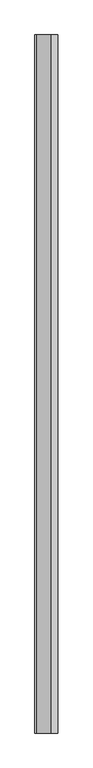
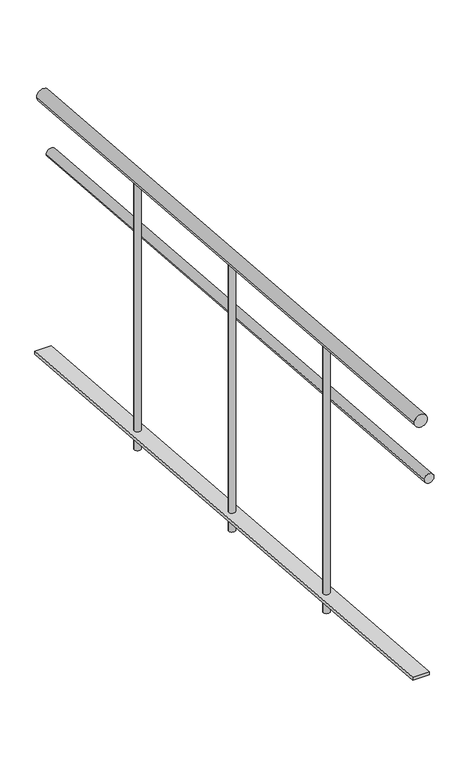
"""IFC4 building model written with IfcOpenShell, lengths in millimetres: railing geometry."""

from ifc_helpers import new_model, si_unit, frame, origin, place, context, project, spatial, ellipse_curve, faceted_brep, source, transform, mapped, element, save
from ifc_brep_helpers import plane_surface, cylinder_surface, advanced_brep


def railing_b9f6c49b(model_context):
    return source(origin(), model_context, "Body", "SolidModel", [
        advanced_brep(
        [(-8160.9736267, 5682.3048278, 879.9361021), (-8120.9736267, 5682.3048278, 879.9361021), (-8160.9736267, 3682.3048278, 1039.9361021), (-8120.9736267, 3682.3048278, 1039.9361021)],
        [
            (0, 1, ellipse_curve(frame((-8140.9736267, 5682.3048278, 879.9361021), z_axis=(0.0, 1.0, 0.0), x_axis=(0.0, 0.0, -1.0)), 20.0638979, 20.0)),
            (1, 0, ellipse_curve(frame((-8140.9736267, 5682.3048278, 879.9361021), z_axis=(0.0, 1.0, 0.0), x_axis=(0.0, 0.0, -1.0)), 20.0638979, 20.0)),
            (2, 3, ellipse_curve(frame((-8140.9736267, 3682.3048278, 1039.9361021), z_axis=(0.0, -1.0, 0.0), x_axis=(0.0, 0.0, -1.0)), 20.0638979, 20.0)),
            (3, 2, ellipse_curve(frame((-8140.9736267, 3682.3048278, 1039.9361021), z_axis=(0.0, -1.0, 0.0), x_axis=(0.0, 0.0, -1.0)), 20.0638979, 20.0)),
            (0, 2),
            (3, 1),
        ],
        [
            plane_surface(frame((-8140.9736267, 5682.3048278, 900.0), z_axis=(0.0, 1.0, 0.0), x_axis=(0.0, 0.0, -1.0))),
            plane_surface(frame((-8140.9736267, 3682.3048278, 1060.0), z_axis=(0.0, -1.0, 0.0), x_axis=(0.0, 0.0, -1.0))),
            cylinder_surface(frame((-8140.9736267, 5680.7099233, 880.0636944), z_axis=(0.0, 0.9968152785361251, -0.07974522228289002), x_axis=(1.0, 0.0, 0.0)), 20.0),
        ],
        [
            (0, [[1, 2]]),
            (1, [[3, 4]]),
            (2, [[-1, 5, -4, 6]]),
            (2, [[-2, -6, -3, -5]]),
        ],
    ),
        advanced_brep(
        [(-8130.9736267, 5682.3048278, 684.9520766), (-8100.9736267, 5682.3048278, 684.9520766), (-8130.9736267, 3682.3048278, 844.9520766), (-8100.9736267, 3682.3048278, 844.9520766)],
        [
            (0, 1, ellipse_curve(frame((-8115.9736267, 5682.3048278, 684.9520766), z_axis=(0.0, 1.0, 0.0), x_axis=(0.0, 0.0, -1.0)), 15.0479234, 15.0)),
            (1, 0, ellipse_curve(frame((-8115.9736267, 5682.3048278, 684.9520766), z_axis=(0.0, 1.0, 0.0), x_axis=(0.0, 0.0, -1.0)), 15.0479234, 15.0)),
            (2, 3, ellipse_curve(frame((-8115.9736267, 3682.3048278, 844.9520766), z_axis=(0.0, -1.0, 0.0), x_axis=(0.0, 0.0, -1.0)), 15.0479234, 15.0)),
            (3, 2, ellipse_curve(frame((-8115.9736267, 3682.3048278, 844.9520766), z_axis=(0.0, -1.0, 0.0), x_axis=(0.0, 0.0, -1.0)), 15.0479234, 15.0)),
            (0, 2),
            (3, 1),
        ],
        [
            plane_surface(frame((-8115.9736267, 5682.3048278, 700.0), z_axis=(0.0, 1.0, 0.0), x_axis=(0.0, 0.0, -1.0))),
            plane_surface(frame((-8115.9736267, 3682.3048278, 860.0), z_axis=(0.0, -1.0, 0.0), x_axis=(0.0, 0.0, -1.0))),
            cylinder_surface(frame((-8115.9736267, 5681.1086494, 685.0477708), z_axis=(0.0, 0.9968152785361251, -0.07974522228289002), x_axis=(1.0, 0.0, 0.0)), 15.0),
        ],
        [
            (0, [[1, 2]]),
            (1, [[3, 4]]),
            (2, [[-1, 5, -4, 6]]),
            (2, [[-2, -6, -3, -5]]),
        ],
    ),
        faceted_brep([(-8115.9736267, 5682.3048278, 60.0), (-8115.9736267, 5682.3048278, 49.968051), (-8165.9736267, 5682.3048278, 49.968051), (-8165.9736267, 5682.3048278, 60.0), (-8115.9736267, 3682.3048278, 220.0), (-8165.9736267, 3682.3048278, 220.0), (-8165.9736267, 3682.3048278, 209.968051), (-8115.9736267, 3682.3048278, 209.968051)], [[[0, 1, 2, 3]], [[4, 5, 6, 7]], [[1, 0, 4, 7]], [[2, 1, 7, 6]], [[3, 2, 6, 5]], [[0, 3, 5, 4]]]),
        advanced_brep(
        [(-8130.9736267, 4182.3048278, 979.8722041), (-8150.9736267, 4182.3048278, 979.8722041), (-8150.9736267, 4182.3048278, 120.0), (-8130.9736267, 4182.3048278, 120.0)],
        [
            (0, 1, ellipse_curve(frame((-8140.9736267, 4182.3048278, 979.8722041), z_axis=(0.0, -0.07974522228288877, -0.9968152785361252), x_axis=(0.0, -0.9968152785361252, 0.07974522228288722)), 10.031949, 10.0)),
            (1, 2),
            (2, 3, ellipse_curve(frame((-8140.9736267, 4182.3048278, 120.0), z_axis=(0.0, 0.07974522228288977, 0.9968152785361251), x_axis=(0.0, -0.9968152785361252, 0.07974522228288901)), 10.031949, 10.0)),
            (3, 0),
            (3, 2, ellipse_curve(frame((-8140.9736267, 4182.3048278, 120.0), z_axis=(0.0, 0.07974522228288977, 0.9968152785361251), x_axis=(0.0, -0.9968152785361252, 0.07974522228288901)), 10.031949, 10.0)),
            (1, 0, ellipse_curve(frame((-8140.9736267, 4182.3048278, 979.8722041), z_axis=(0.0, -0.07974522228288877, -0.9968152785361252), x_axis=(0.0, -0.9968152785361252, 0.07974522228288722)), 10.031949, 10.0)),
        ],
        [
            cylinder_surface(frame((-8140.9736267, 4182.3048278, 20.0), z_axis=(0.0, 0.0, 1.0), x_axis=(-1.0, 0.0, 0.0)), 10.0),
            plane_surface(frame((-8160.9736267, 4162.3048278, 981.4722041), z_axis=(0.0, 0.07974522228288877, 0.9968152785361252), x_axis=(1.0, 0.0, 0.0))),
            plane_surface(frame((-8160.9736267, 4202.3048278, 118.4), z_axis=(0.0, -0.07974522228288977, -0.9968152785361251), x_axis=(1.0, 0.0, 0.0))),
        ],
        [
            (0, [[1, 2, 3, 4]]),
            (0, [[5, -2, 6, -4]]),
            (1, [[-6, -1]]),
            (2, [[-5, -3]]),
        ],
    ),
        advanced_brep(
        [(-8130.9736267, 4682.3048278, 939.8722041), (-8150.9736267, 4682.3048278, 939.8722041), (-8150.9736267, 4682.3048278, 80.0), (-8130.9736267, 4682.3048278, 80.0)],
        [
            (0, 1, ellipse_curve(frame((-8140.9736267, 4682.3048278, 939.8722041), z_axis=(0.0, -0.07974522228288877, -0.9968152785361252), x_axis=(0.0, -0.9968152785361252, 0.07974522228288722)), 10.031949, 10.0)),
            (1, 2),
            (2, 3, ellipse_curve(frame((-8140.9736267, 4682.3048278, 80.0), z_axis=(0.0, 0.07974522228288977, 0.9968152785361251), x_axis=(0.0, -0.9968152785361252, 0.07974522228288901)), 10.031949, 10.0)),
            (3, 0),
            (3, 2, ellipse_curve(frame((-8140.9736267, 4682.3048278, 80.0), z_axis=(0.0, 0.07974522228288977, 0.9968152785361251), x_axis=(0.0, -0.9968152785361252, 0.07974522228288901)), 10.031949, 10.0)),
            (1, 0, ellipse_curve(frame((-8140.9736267, 4682.3048278, 939.8722041), z_axis=(0.0, -0.07974522228288877, -0.9968152785361252), x_axis=(0.0, -0.9968152785361252, 0.07974522228288722)), 10.031949, 10.0)),
        ],
        [
            cylinder_surface(frame((-8140.9736267, 4682.3048278, -20.0), z_axis=(0.0, 0.0, 1.0), x_axis=(-1.0, 0.0, 0.0)), 10.0),
            plane_surface(frame((-8160.9736267, 4662.3048278, 941.4722041), z_axis=(0.0, 0.07974522228288877, 0.9968152785361252), x_axis=(1.0, 0.0, 0.0))),
            plane_surface(frame((-8160.9736267, 4702.3048278, 78.4), z_axis=(0.0, -0.07974522228288977, -0.9968152785361251), x_axis=(1.0, 0.0, 0.0))),
        ],
        [
            (0, [[1, 2, 3, 4]]),
            (0, [[5, -2, 6, -4]]),
            (1, [[-6, -1]]),
            (2, [[-5, -3]]),
        ],
    ),
        advanced_brep(
        [(-8130.9736267, 5182.3048278, 899.8722041), (-8150.9736267, 5182.3048278, 899.8722041), (-8150.9736267, 5182.3048278, 40.0), (-8130.9736267, 5182.3048278, 40.0)],
        [
            (0, 1, ellipse_curve(frame((-8140.9736267, 5182.3048278, 899.8722041), z_axis=(0.0, -0.07974522228288877, -0.9968152785361252), x_axis=(0.0, -0.9968152785361252, 0.07974522228288722)), 10.031949, 10.0)),
            (1, 2),
            (2, 3, ellipse_curve(frame((-8140.9736267, 5182.3048278, 40.0), z_axis=(0.0, 0.07974522228288977, 0.9968152785361251), x_axis=(0.0, -0.9968152785361252, 0.07974522228288901)), 10.031949, 10.0)),
            (3, 0),
            (3, 2, ellipse_curve(frame((-8140.9736267, 5182.3048278, 40.0), z_axis=(0.0, 0.07974522228288977, 0.9968152785361251), x_axis=(0.0, -0.9968152785361252, 0.07974522228288901)), 10.031949, 10.0)),
            (1, 0, ellipse_curve(frame((-8140.9736267, 5182.3048278, 899.8722041), z_axis=(0.0, -0.07974522228288877, -0.9968152785361252), x_axis=(0.0, -0.9968152785361252, 0.07974522228288722)), 10.031949, 10.0)),
        ],
        [
            cylinder_surface(frame((-8140.9736267, 5182.3048278, -60.0), z_axis=(0.0, 0.0, 1.0), x_axis=(-1.0, 0.0, 0.0)), 10.0),
            plane_surface(frame((-8160.9736267, 5162.3048278, 901.4722041), z_axis=(0.0, 0.07974522228288877, 0.9968152785361252), x_axis=(1.0, 0.0, 0.0))),
            plane_surface(frame((-8160.9736267, 5202.3048278, 38.4), z_axis=(0.0, -0.07974522228288977, -0.9968152785361251), x_axis=(1.0, 0.0, 0.0))),
        ],
        [
            (0, [[1, 2, 3, 4]]),
            (0, [[5, -2, 6, -4]]),
            (1, [[-6, -1]]),
            (2, [[-5, -3]]),
        ],
    ),
    ])


if __name__ == "__main__":
    model = new_model("IFC4")
    model_context = context("Model", 3, world=origin())
    ifc_project = project(units=[si_unit("LENGTHUNIT", "METRE", prefix="MILLI")], contexts=[model_context])
    site = spatial("IfcSite", under=ifc_project)
    building = spatial("IfcBuilding", under=site)
    placement = place(None, origin())
    railing_shape = railing_b9f6c49b(model_context)
    element("IfcRailing", 1, at=placement, inside=building, context=model_context, shape_type="MappedRepresentation", body=[
        mapped(railing_shape, transform((0.0, 0.0, 0.0), x_axis=(1.0, 0.0, 0.0), y_axis=(0.0, 1.0, 0.0), z_axis=(0.0, 0.0, 1.0))),
    ])
    save(model, "model.ifc")
